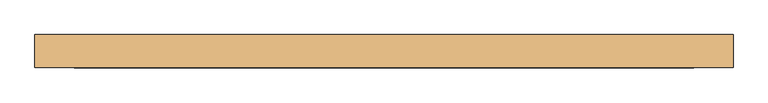
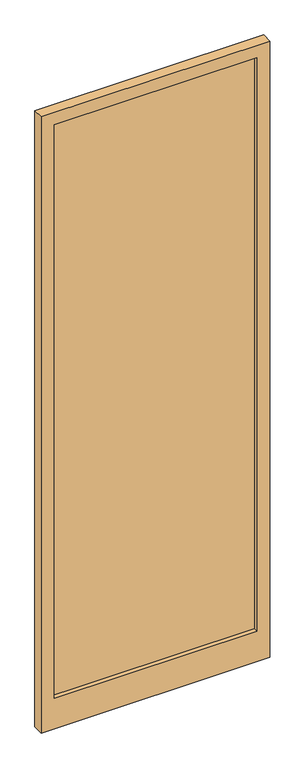
"""IFC4 building model written with IfcOpenShell, lengths in millimetres: door geometry."""

from ifc_helpers import new_model, si_unit, frame, origin, place, context, project, spatial, polyline, outline, extrude, source, transform, mapped, element, save


def door_a2b24bfb(model_context):
    return source(origin(), model_context, "Body", "SweptSolid", [
        extrude(outline(polyline([(470.0, -5.0), (-470.0, -5.0), (-470.0, 5.0), (470.0, 5.0), (470.0, -5.0)])), frame((0.0, 0.0, 180.0), z_axis=(0.0, 0.0, 1.0), x_axis=(1.0, 0.0, 0.0)), (0.0, 0.0, 1.0), 2810.0),
        extrude(outline(polyline([(3050.0, 530.0), (3050.0, -530.0), (30.0, -530.0), (30.0, 530.0), (3050.0, 530.0)]), holes=[polyline([(2990.0, 470.0), (180.0, 470.0), (180.0, -470.0), (2990.0, -470.0), (2990.0, 470.0)])]), frame((0.0, -25.0, 0.0), z_axis=(0.0, 1.0, 0.0), x_axis=(0.0, 0.0, 1.0)), (0.0, 0.0, 1.0), 50.0),
    ])


if __name__ == "__main__":
    model = new_model("IFC4")
    model_context = context("Model", 3, world=origin())
    ifc_project = project(units=[si_unit("LENGTHUNIT", "METRE", prefix="MILLI")], contexts=[model_context])
    site = spatial("IfcSite", under=ifc_project)
    building = spatial("IfcBuilding", under=site)
    placement = place(None, origin())
    door_shape = door_a2b24bfb(model_context)
    element("IfcDoor", 1, at=placement, inside=building, context=model_context, shape_type="MappedRepresentation", body=[
        mapped(door_shape, transform((0.0, 0.0, 0.0), x_axis=(1.0, 0.0, 0.0), y_axis=(0.0, 1.0, 0.0), z_axis=(0.0, 0.0, 1.0))),
    ])
    save(model, "model.ifc")
